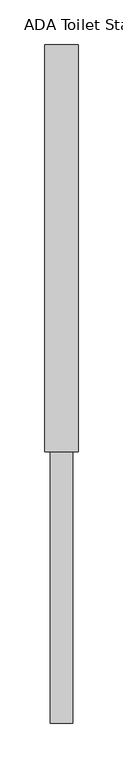
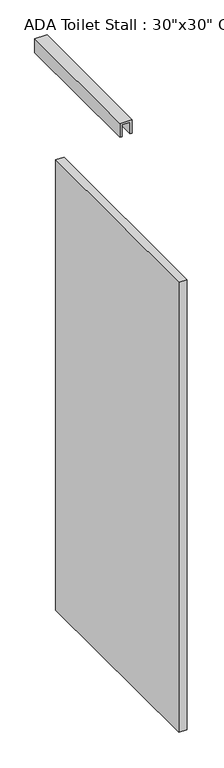
"""IFC4 building model written with IfcOpenShell, lengths in millimetres: proxy geometry."""

from ifc_helpers import new_model, si_unit, frame, origin, place, context, project, spatial, polyline, outline, extrude, source, transform, mapped, element, save


def proxy_77bdd4ce(model_context):
    return source(origin(), model_context, "Body", "SweptSolid", [
        extrude(outline(polyline([(2108.2, 74.7031538), (2108.2, 100.1031538), (2070.1, 100.1031538), (2070.1, 106.4531538), (2114.55, 106.4531538), (2114.55, 68.3531538), (2070.1, 68.3531538), (2070.1, 74.7031538), (2108.2, 74.7031538)])), frame((0.0, 152.4, 0.0), z_axis=(0.0, 1.0, 0.0), x_axis=(0.0, 0.0, 1.0)), (0.0, 0.0, 1.0), 457.2),
        extrude(outline(polyline([(100.1031538, 508.0), (100.1031538, -152.4), (74.7031538, -152.4), (74.7031538, 508.0), (100.1031538, 508.0)])), frame((0.0, 0.0, 304.8), z_axis=(0.0, 0.0, 1.0), x_axis=(1.0, 0.0, 0.0)), (0.0, 0.0, 1.0), 1473.2),
    ])


if __name__ == "__main__":
    model = new_model("IFC4")
    model_context = context("Model", 3, world=origin())
    ifc_project = project(units=[si_unit("LENGTHUNIT", "METRE", prefix="MILLI")], contexts=[model_context])
    site = spatial("IfcSite", under=ifc_project)
    building = spatial("IfcBuilding", under=site)
    placement = place(None, origin())
    proxy_shape = proxy_77bdd4ce(model_context)
    element("IfcBuildingElementProxy", 1, Name="ADA Toilet Stall : 30\"x30\" Clear", ObjectType="ADA Toilet Stall : 30\"x30\" Clear", at=placement, inside=building, context=model_context, shape_type="MappedRepresentation", body=[
        mapped(proxy_shape, transform((0.0, 0.0, 0.0), x_axis=(1.0, 0.0, 0.0), y_axis=(0.0, 1.0, 0.0), z_axis=(0.0, 0.0, 1.0))),
    ])
    save(model, "model.ifc")
